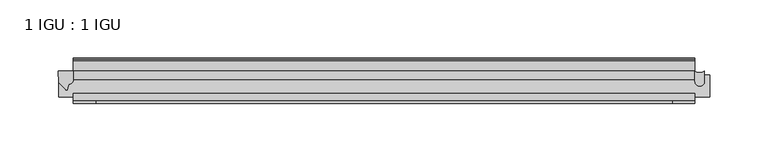
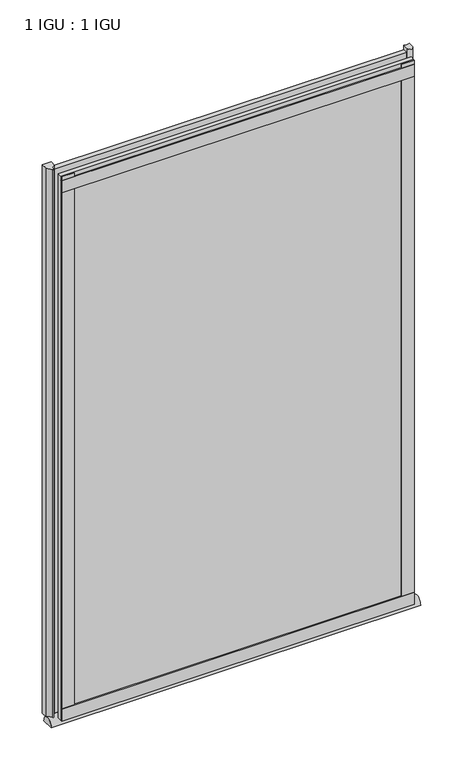
"""IFC4 building model written with IfcOpenShell, lengths in millimetres: plate geometry, 1 IGU : 1 IGU."""

from ifc_helpers import new_model, si_unit, point, frame, frame_2d, origin, place, context, project, spatial, polyline, circle_curve, ellipse_curve, trimmed, segment, composite_curve, outline, extrude, source, transform, mapped, element, save
from ifc_brep_helpers import plane_surface, extruded_surface, advanced_brep


def plate_1_igu_1_igu_1ad4827b(model_context):
    return source(origin(), model_context, "Body", "SolidModel", [
        extrude(outline(polyline([(266.6932531, -11.6085937), (266.6932531, -18.8576359), (-266.6932531, -18.8576359), (-266.6932531, -11.6085937), (266.6932531, -11.6085937)])), frame((0.0, 0.0, -19.05), z_axis=(0.0, 0.0, 1.0), x_axis=(1.0, 0.0, 0.0)), (0.0, 0.0, 1.0), 869.9409101),
        extrude(outline(polyline([(-266.6932531, -30.7093937), (266.6932531, -30.7093937), (266.6932531, -37.0085937), (-266.6932531, -37.0085937), (-266.6932531, -30.7093937)])), frame((0.0, 0.0, -19.05), z_axis=(0.0, 0.0, 1.0), x_axis=(1.0, 0.0, 0.0)), (0.0, 0.0, 1.0), 869.9409101),
        advanced_brep(
        [(279.3932531, -33.6472189, -28.575), (279.3932531, -14.9699686, -28.575), (-279.3932531, -33.6472189, -28.575), (-279.3932531, -14.9699686, -28.575)],
        [
            (0, 1),
            (1, 0, ellipse_curve(frame((279.3932531, -24.3085937, -28.575), z_axis=(1.0, 0.0, 0.0), x_axis=(0.0, 0.0, 1.0)), 10.6973372, 9.3386252)),
            (2, 3, ellipse_curve(frame((-279.3932531, -24.3085937, -28.575), z_axis=(-1.0, 0.0, 0.0), x_axis=(0.0, 0.0, 1.0)), 10.6973372, 9.3386252)),
            (3, 2),
            (0, 2),
            (3, 1),
        ],
        [
            plane_surface(frame((279.3932531, -9.2273438, -28.575), z_axis=(1.0, 0.0, 0.0), x_axis=(0.0, 1.0, 0.0))),
            plane_surface(frame((-279.3932531, -9.2273437, -28.575), z_axis=(-1.0, 0.0, 0.0), x_axis=(0.0, 1.0, 0.0))),
            plane_surface(frame((279.3932531, -33.6472189, -28.575), z_axis=(0.0, 0.0, -1.0), x_axis=(-1.0, 0.0, 0.0))),
            extruded_surface(trimmed(ellipse_curve(frame((-279.3932531, -24.3085937, -28.575), z_axis=(1.0, 0.0, 0.0), x_axis=(0.0, 0.0, 1.0)), 10.6973372, 9.3386252), [point((-279.3932531, -14.9699686, -28.575))], [point((-279.3932531, -33.6472189, -28.575))], True, "CARTESIAN"), (558.7865062, 0.0, 0.0), 558.7865062),
        ],
        [
            (0, [[1, 2]]),
            (1, [[3, 4]]),
            (2, [[-1, 5, -4, 6]]),
            (3, [[-2, -6, -3, -5]]),
        ],
    ),
        extrude(outline(composite_curve([segment(polyline([(-266.6932531, -11.610702), (-266.6932531, -20.1014769)]), True, "CONTINUOUS"), segment(trimmed(circle_curve(frame_2d((-272.9744475, -16.3829847)), 7.2993552), [point((-266.6932531, -20.1014769))], [point((-270.7922029, -23.3484994))], False, "CARTESIAN"), True, "CONTINUOUS"), segment(polyline([(-270.7922029, -23.3484994), (-272.0536896, -27.4746364)]), True, "CONTINUOUS"), segment(trimmed(circle_curve(frame_2d((-272.7823938, -27.2518492)), 0.762), [point((-272.0536896, -27.4746364))], [point((-273.4551999, -27.6095865))], False, "CARTESIAN"), True, "CONTINUOUS"), segment(polyline([(-273.4551999, -27.6095865), (-279.3932531, -21.3502133), (-279.7711623, -11.610702), (-266.6932531, -11.610702)]), True, "CONTINUOUS")], self_intersect=False)), frame((0.0, 0.0, -19.05), z_axis=(0.0, 0.0, 1.0), x_axis=(1.0, 0.0, 0.0)), (0.0, 0.0, 1.0), 877.0783101),
        extrude(outline(composite_curve([segment(trimmed(circle_curve(frame_2d((270.7869829, -20.4985938)), 4.0937298), [point((274.8807127, -20.4985937))], [point((266.6932531, -20.4985938))], False, "CARTESIAN"), True, "CONTINUOUS"), segment(polyline([(266.6932531, -20.4985938), (266.6932531, -11.6085938)]), True, "CONTINUOUS"), segment(trimmed(circle_curve(frame_2d((270.7869829, -4.9389529)), 7.8257736), [point((266.6932531, -11.6085938))], [point((274.8807127, -11.6085938))], True, "CARTESIAN"), True, "CONTINUOUS"), segment(polyline([(274.8807127, -11.6085938), (274.8807127, -20.4985937)]), True, "CONTINUOUS")], self_intersect=False)), frame((0.0, 0.0, -19.05), z_axis=(0.0, 0.0, 1.0), x_axis=(1.0, 0.0, 0.0)), (0.0, 0.0, 1.0), 877.0783101),
        extrude(outline(polyline([(-266.6932531, -39.2945937), (-266.6932531, -37.0085937), (266.6932531, -37.0085937), (266.6932531, -39.2945937), (-266.6932531, -39.2945937)])), frame((0.0, 0.0, -19.05), z_axis=(0.0, 0.0, 1.0), x_axis=(1.0, 0.0, 0.0)), (0.0, 0.0, 1.0), 19.05),
        extrude(outline(composite_curve([segment(polyline([(-3.0995937, 840.8103314), (-3.0995937, 838.7783314), (-5.2585937, 838.7783314), (-5.2585937, 833.4443314), (-1.5755937, 833.4443314), (-1.5755937, 830.3963314), (-5.2585937, 830.3963314), (-5.2585937, 825.5703314), (-0.5298657, 826.2349108), (-0.4061408, 825.3545625)]), True, "CONTINUOUS"), segment(trimmed(circle_curve(frame_2d((-1.4122531, 825.2131626)), 1.016), [point((-0.4061408, 825.3545625))], [point((-1.2708533, 824.2070502))], False, "CARTESIAN"), True, "CONTINUOUS"), segment(polyline([(-1.2708533, 824.2070502), (-11.6085937, 822.7541756), (-11.6085937, 840.8103314), (-3.0995937, 840.8103314)]), True, "CONTINUOUS")], self_intersect=False)), frame((-266.6932531, 0.0, 0.0), z_axis=(1.0, 0.0, 0.0), x_axis=(0.0, 1.0, 0.0)), (0.0, 0.0, 1.0), 533.3865062),
        extrude(outline(polyline([(-266.6932531, -39.2945937), (-266.6932531, -37.0085937), (266.6932531, -37.0085937), (266.6932531, -39.2945937), (-266.6932531, -39.2945937)])), frame((0.0, 0.0, 825.4909101), z_axis=(0.0, 0.0, 1.0), x_axis=(1.0, 0.0, 0.0)), (0.0, 0.0, 1.0), 19.05),
        extrude(outline(polyline([(247.6432531, -37.0085937), (266.6932531, -37.0085937), (266.6932531, -39.2945938), (247.6432531, -39.2945938), (247.6432531, -37.0085937)])), frame((0.0, 0.0, -19.05), z_axis=(0.0, 0.0, 1.0), x_axis=(1.0, 0.0, 0.0)), (0.0, 0.0, 1.0), 869.9409101),
        extrude(outline(polyline([(-266.6932531, -39.2945937), (-266.6932531, -37.0085937), (-247.6432531, -37.0085937), (-247.6432531, -39.2945937), (-266.6932531, -39.2945937)])), frame((0.0, 0.0, -19.05), z_axis=(0.0, 0.0, 1.0), x_axis=(1.0, 0.0, 0.0)), (0.0, 0.0, 1.0), 869.9409101),
    ])


if __name__ == "__main__":
    model = new_model("IFC4")
    model_context = context("Model", 3, world=origin())
    ifc_project = project(units=[si_unit("LENGTHUNIT", "METRE", prefix="MILLI")], contexts=[model_context])
    site = spatial("IfcSite", under=ifc_project)
    building = spatial("IfcBuilding", under=site)
    placement = place(None, origin())
    plate_1_igu_1_igu_shape = plate_1_igu_1_igu_1ad4827b(model_context)
    element("IfcPlate", 1, ObjectType="1 IGU : 1 IGU", at=placement, inside=building, context=model_context, shape_type="MappedRepresentation", body=[
        mapped(plate_1_igu_1_igu_shape, transform((0.0, 0.0, 0.0), x_axis=(1.0, 0.0, 0.0), y_axis=(0.0, 1.0, 0.0), z_axis=(0.0, 0.0, 1.0))),
    ])
    save(model, "model.ifc")
